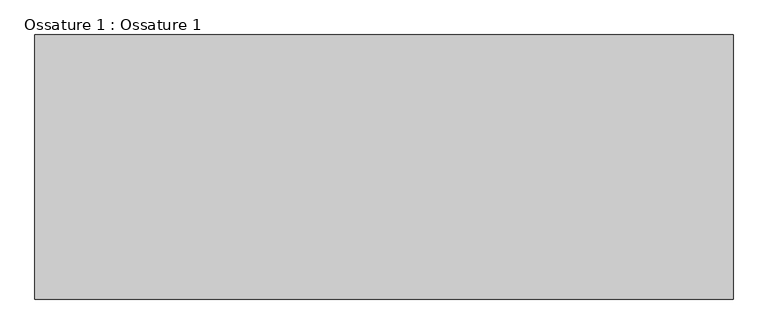
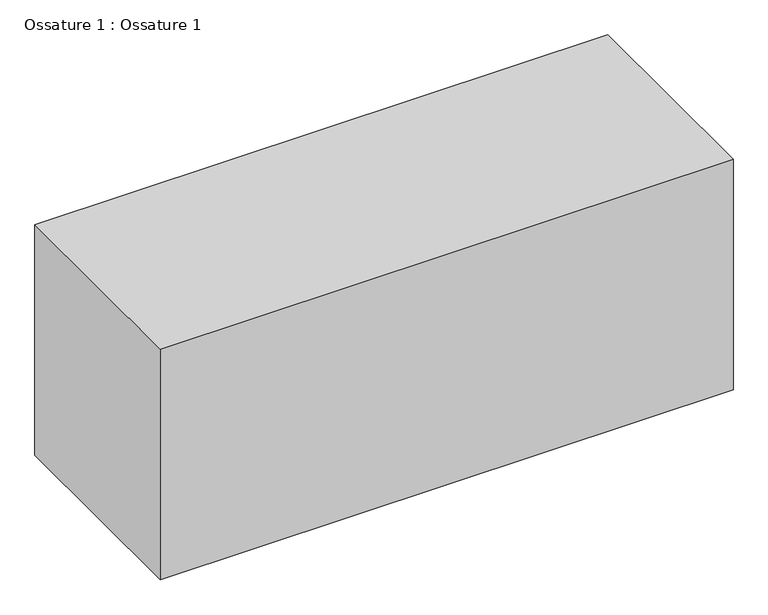
"""IFC4 building model written with IfcOpenShell, lengths in millimetres: beam geometry, Ossature 1 : Ossature 1."""

from ifc_helpers import new_model, si_unit, origin, origin_with_axes, place, context, project, spatial, polyline, outline, extrude, source, transform, mapped, element, save


def ossature_1_ossature_1_65f0395e(model_context):
    return source(origin(), model_context, "Body", "SweptSolid", [
        extrude(outline(polyline([(-7622.3378366, 16491.4735948), (-9737.0665587, 16491.4735948), (-9737.0665587, 17291.4735948), (-7622.3378366, 17291.4735948), (-7622.3378366, 16491.4735948)])), origin_with_axes(), (0.0, 0.0, 1.0), 900.0),
    ])


if __name__ == "__main__":
    model = new_model("IFC4")
    model_context = context("Model", 3, world=origin())
    ifc_project = project(units=[si_unit("LENGTHUNIT", "METRE", prefix="MILLI")], contexts=[model_context])
    site = spatial("IfcSite", under=ifc_project)
    building = spatial("IfcBuilding", under=site)
    placement = place(None, origin())
    ossature_1_ossature_1_shape = ossature_1_ossature_1_65f0395e(model_context)
    element("IfcBeam", 1, ObjectType="Ossature 1 : Ossature 1", at=placement, inside=building, context=model_context, shape_type="MappedRepresentation", body=[
        mapped(ossature_1_ossature_1_shape, transform((0.0, 0.0, 0.0), x_axis=(1.0, 0.0, 0.0), y_axis=(0.0, 1.0, 0.0), z_axis=(0.0, 0.0, 1.0))),
    ])
    save(model, "model.ifc")
